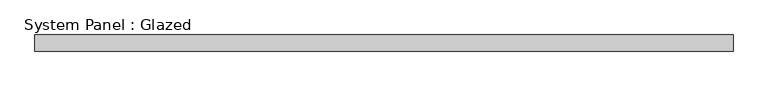
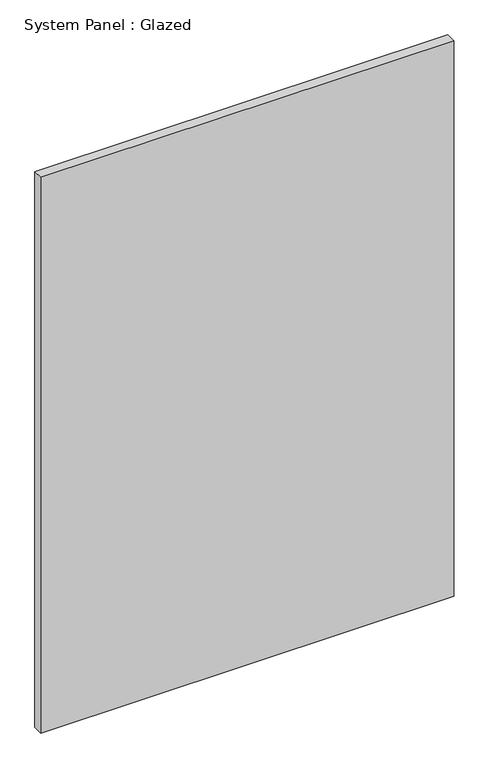
"""IFC4 building model written with IfcOpenShell, lengths in millimetres: plate geometry, System Panel : Glazed."""

from ifc_helpers import new_model, si_unit, origin, origin_with_axes, place, context, project, spatial, polyline, outline, extrude, source, transform, mapped, element, save


def system_panel_glazed_9bca7289(model_context):
    return source(origin(), model_context, "Body", "SweptSolid", [
        extrude(outline(polyline([(535.6724388, 19.05), (-535.6724388, 19.05), (-535.6724388, 44.45), (535.6724388, 44.45), (535.6724388, 19.05)])), origin_with_axes(), (0.0, 0.0, 1.0), 1524.0),
    ])


if __name__ == "__main__":
    model = new_model("IFC4")
    model_context = context("Model", 3, world=origin())
    ifc_project = project(units=[si_unit("LENGTHUNIT", "METRE", prefix="MILLI")], contexts=[model_context])
    site = spatial("IfcSite", under=ifc_project)
    building = spatial("IfcBuilding", under=site)
    placement = place(None, origin())
    system_panel_glazed_shape = system_panel_glazed_9bca7289(model_context)
    element("IfcPlate", 1, ObjectType="System Panel : Glazed", at=placement, inside=building, context=model_context, shape_type="MappedRepresentation", body=[
        mapped(system_panel_glazed_shape, transform((0.0, 0.0, 0.0), x_axis=(1.0, 0.0, 0.0), y_axis=(0.0, 1.0, 0.0), z_axis=(0.0, 0.0, 1.0))),
    ])
    save(model, "model.ifc")
